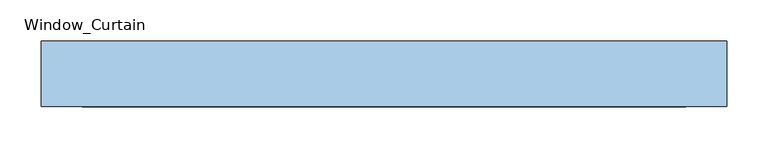
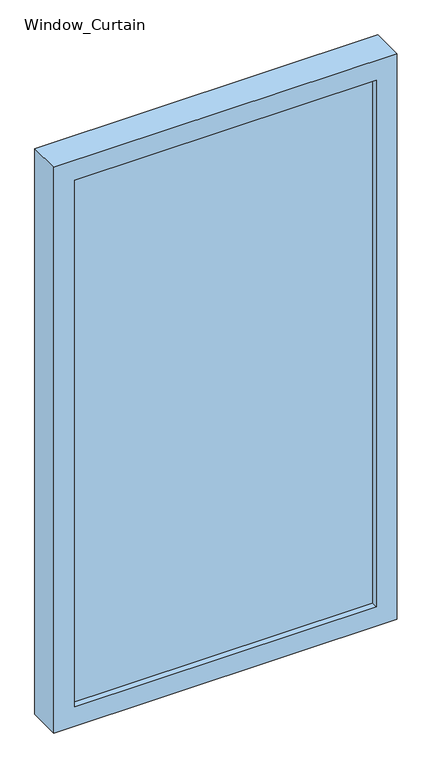
"""IFC4 building model written with IfcOpenShell, lengths in millimetres: window geometry, Window_Curtain."""

from ifc_helpers import new_model, si_unit, frame, origin, place, context, project, spatial, polyline, outline, extrude, source, transform, mapped, element, save


def window_curtain_64a6be91(model_context):
    return source(origin(), model_context, "Body", "SweptSolid", [
        extrude(outline(polyline([(1451.6915209, -416.6666667), (0.0, -416.6666667), (0.0, 416.6666667), (1451.6915209, 416.6666667), (1451.6915209, -416.6666667)]), holes=[polyline([(50.0, -366.6666667), (1401.6915209, -366.6666667), (1401.6915209, 366.6666667), (50.0, 366.6666667), (50.0, -366.6666667)])]), frame((0.0, -30.0, 0.0), z_axis=(0.0, 1.0, 0.0), x_axis=(0.0, 0.0, 1.0)), (0.0, 0.0, 1.0), 80.0),
        extrude(outline(polyline([(366.6666667, -15.0), (-366.6666667, -15.0), (-366.6666667, 10.0), (366.6666667, 10.0), (366.6666667, -15.0)])), frame((0.0, 0.0, 50.0), z_axis=(0.0, 0.0, 1.0), x_axis=(1.0, 0.0, 0.0)), (0.0, 0.0, 1.0), 1351.6915209),
    ])


if __name__ == "__main__":
    model = new_model("IFC4")
    model_context = context("Model", 3, world=origin())
    ifc_project = project(units=[si_unit("LENGTHUNIT", "METRE", prefix="MILLI")], contexts=[model_context])
    site = spatial("IfcSite", under=ifc_project)
    building = spatial("IfcBuilding", under=site)
    placement = place(None, origin())
    window_curtain_shape = window_curtain_64a6be91(model_context)
    element("IfcWindow", 1, ObjectType="Window_Curtain", at=placement, inside=building, context=model_context, shape_type="MappedRepresentation", body=[
        mapped(window_curtain_shape, transform((0.0, 0.0, 0.0), x_axis=(1.0, 0.0, 0.0), y_axis=(0.0, 1.0, 0.0), z_axis=(0.0, 0.0, 1.0))),
    ])
    save(model, "model.ifc")
